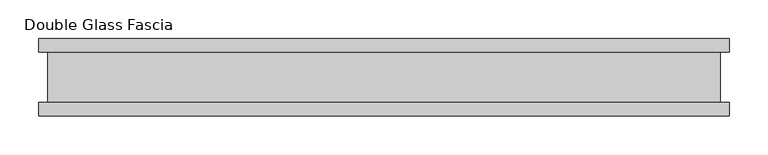
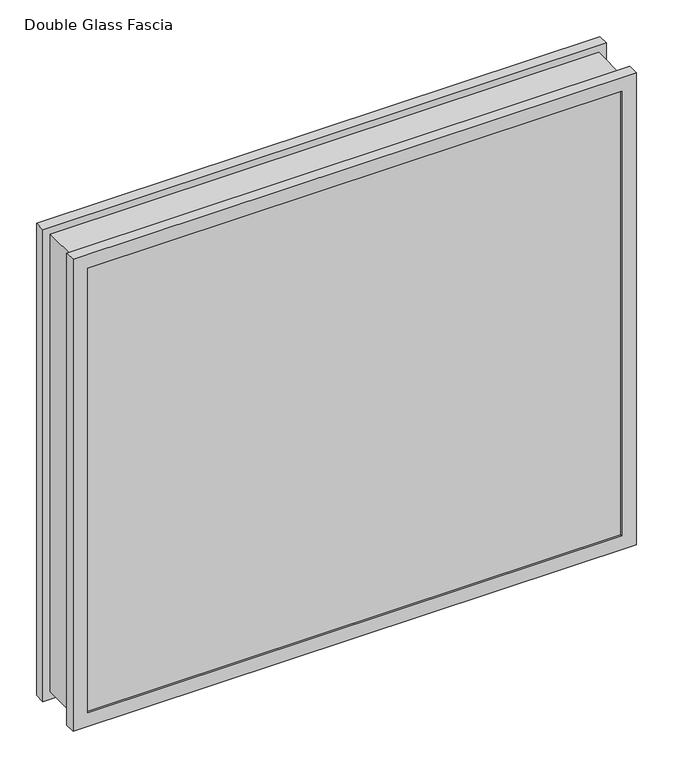
"""IFC4 building model written with IfcOpenShell, lengths in millimetres: proxy geometry, Double Glass Fascia."""

from ifc_helpers import new_model, si_unit, frame, origin, place, context, project, spatial, polyline, outline, extrude, faceted_brep, source, transform, mapped, element, save


def double_glass_fascia_fb6c9f09(model_context):
    return source(origin(), model_context, "Body", "SolidModel", [
        faceted_brep([(433.7579585, -32.4352299, 780.4920849), (433.7579585, -32.4352299, 15.0359151), (433.7579585, 32.4352299, 15.0359151), (433.7579585, 32.4352299, 780.4920849), (-433.7579585, -32.4352299, 15.0359151), (-433.7579585, 32.4352299, 15.0359151), (-433.7579585, -32.4352299, 780.4920849), (-433.7579585, 32.4352299, 780.4920849), (422.5810736, 38.8962152, 769.3152), (422.5810736, 38.8962152, 26.2128), (422.5810736, -38.8962152, 26.2128), (422.5810736, -38.8962152, 769.3152), (439.3157128, 47.1322551, 786.0498392), (439.3157128, 47.1322551, 9.4781608), (439.3157128, 38.8962152, 9.4781608), (439.3157128, 38.8962152, 786.0498392), (422.4032736, 50.0558594, 769.1374), (422.4032736, 50.0558594, 26.3906), (422.4032736, 47.1322551, 26.3906), (422.4032736, 47.1322551, 769.1374), (445.6188736, 32.4352299, 792.353), (445.6188736, 32.4352299, 3.175), (445.6188736, 50.0558594, 3.175), (445.6188736, 50.0558594, 792.353), (-422.5810736, 38.8962152, 26.2128), (-422.5810736, -38.8962152, 26.2128), (-439.3157128, 47.1322551, 9.4781608), (-439.3157128, 38.8962152, 9.4781608), (-422.4032736, 50.0558594, 26.3906), (-422.4032736, 47.1322551, 26.3906), (-445.6188736, 32.4352299, 3.175), (-445.6188736, 50.0558594, 3.175), (-422.5810736, 38.8962152, 769.3152), (-422.5810736, -38.8962152, 769.3152), (-439.3157128, 47.1322551, 786.0498392), (-439.3157128, 38.8962152, 786.0498392), (-422.4032736, 50.0558594, 769.1374), (-422.4032736, 47.1322551, 769.1374), (-445.6188736, 32.4352299, 792.353), (-445.6188736, 50.0558594, 792.353), (445.6188736, -50.0558594, 792.353), (445.6188736, -50.0558594, 3.175), (445.6188736, -32.4352299, 3.175), (445.6188736, -32.4352299, 792.353), (422.5810736, -47.1322551, 769.3152), (422.5810736, -47.1322551, 26.2128), (422.5810736, -50.0558594, 26.2128), (422.5810736, -50.0558594, 769.3152), (439.3157128, -38.8962152, 786.0498392), (439.3157128, -38.8962152, 9.4781608), (439.3157128, -47.1322551, 9.4781608), (439.3157128, -47.1322551, 786.0498392), (-445.6188736, -50.0558594, 3.175), (-445.6188736, -32.4352299, 3.175), (-422.5810736, -47.1322551, 26.2128), (-422.5810736, -50.0558594, 26.2128), (-439.3157128, -38.8962152, 9.4781608), (-439.3157128, -47.1322551, 9.4781608), (-445.6188736, -50.0558594, 792.353), (-445.6188736, -32.4352299, 792.353), (-422.5810736, -47.1322551, 769.3152), (-422.5810736, -50.0558594, 769.3152), (-439.3157128, -38.8962152, 786.0498392), (-439.3157128, -47.1322551, 786.0498392)], [[[0, 1, 2, 3]], [[1, 4, 5, 2]], [[4, 6, 7, 5]], [[6, 0, 3, 7]], [[8, 9, 10, 11]], [[12, 13, 14, 15]], [[16, 17, 18, 19]], [[20, 21, 22, 23]], [[9, 24, 25, 10]], [[13, 26, 27, 14]], [[17, 28, 29, 18]], [[21, 30, 31, 22]], [[24, 32, 33, 25]], [[26, 34, 35, 27]], [[28, 36, 37, 29]], [[30, 38, 39, 31]], [[32, 8, 11, 33]], [[15, 14, 27, 35], [9, 8, 32, 24]], [[34, 12, 15, 35]], [[13, 12, 34, 26], [19, 18, 29, 37]], [[36, 16, 19, 37]], [[23, 22, 31, 39], [17, 16, 36, 28]], [[38, 20, 23, 39]], [[21, 20, 38, 30], [3, 2, 5, 7]], [[40, 41, 42, 43]], [[44, 45, 46, 47]], [[48, 49, 50, 51]], [[41, 52, 53, 42]], [[45, 54, 55, 46]], [[49, 56, 57, 50]], [[52, 58, 59, 53]], [[54, 60, 61, 55]], [[56, 62, 63, 57]], [[43, 42, 53, 59], [1, 0, 6, 4]], [[58, 40, 43, 59]], [[41, 40, 58, 52], [47, 46, 55, 61]], [[60, 44, 47, 61]], [[51, 50, 57, 63], [45, 44, 60, 54]], [[62, 48, 51, 63]], [[49, 48, 62, 56], [11, 10, 25, 33]]]),
        extrude(outline(polyline([(434.7938736, 40.9277344), (-434.7938736, 40.9277344), (-434.7938736, 46.8808594), (434.7938736, 46.8808594), (434.7938736, 40.9277344)])), frame((0.0, 0.0, 5.3275263), z_axis=(0.0, 0.0, 1.0), x_axis=(1.0, 0.0, 0.0)), (0.0, 0.0, 1.0), 784.378928),
        extrude(outline(polyline([(434.7938736, -41.1791301), (434.7938736, -47.1322551), (-434.7938736, -47.1322551), (-434.7938736, -41.1791301), (434.7938736, -41.1791301)])), frame((0.0, 0.0, 5.3275263), z_axis=(0.0, 0.0, 1.0), x_axis=(1.0, 0.0, 0.0)), (0.0, 0.0, 1.0), 784.378928),
    ])


if __name__ == "__main__":
    model = new_model("IFC4")
    model_context = context("Model", 3, world=origin())
    ifc_project = project(units=[si_unit("LENGTHUNIT", "METRE", prefix="MILLI")], contexts=[model_context])
    site = spatial("IfcSite", under=ifc_project)
    building = spatial("IfcBuilding", under=site)
    placement = place(None, origin())
    double_glass_fascia_shape = double_glass_fascia_fb6c9f09(model_context)
    element("IfcBuildingElementProxy", 1, Name="Double Glass Fascia", ObjectType="Double Glass Fascia", at=placement, inside=building, context=model_context, shape_type="MappedRepresentation", body=[
        mapped(double_glass_fascia_shape, transform((0.0, 0.0, 0.0), x_axis=(1.0, 0.0, 0.0), y_axis=(0.0, 1.0, 0.0), z_axis=(0.0, 0.0, 1.0))),
    ])
    save(model, "model.ifc")
